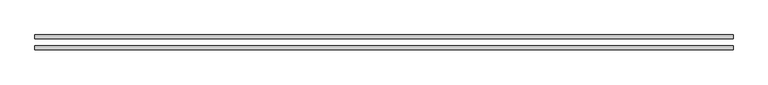
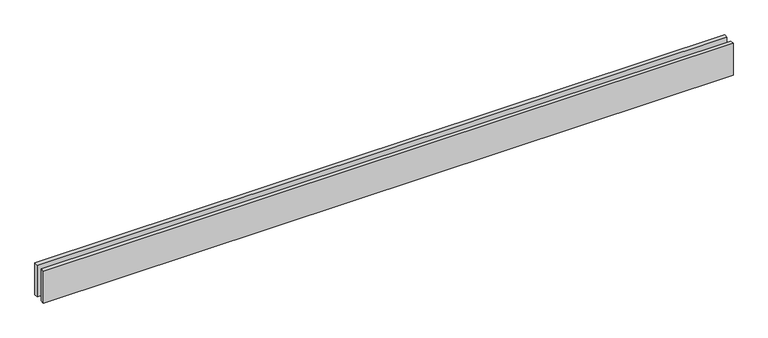
"""IFC4 building model written with IfcOpenShell, lengths in millimetres: proxy geometry."""

from ifc_helpers import new_model, si_unit, origin, origin_with_axes, place, context, project, spatial, polyline, outline, extrude, source, transform, mapped, element, save


def generic_models_efd53a51(model_context):
    return source(origin(), model_context, "Body", "SweptSolid", [
        extrude(outline(polyline([(5135.0, -25.0), (5135.0, -55.0), (0.0, -55.0), (0.0, -25.0), (5135.0, -25.0)])), origin_with_axes(), (0.0, 0.0, 1.0), 250.0),
        extrude(outline(polyline([(5135.0, 55.0), (5135.0, 25.0), (0.0, 25.0), (0.0, 55.0), (5135.0, 55.0)])), origin_with_axes(), (0.0, 0.0, 1.0), 250.0),
    ])


if __name__ == "__main__":
    model = new_model("IFC4")
    model_context = context("Model", 3, world=origin())
    ifc_project = project(units=[si_unit("LENGTHUNIT", "METRE", prefix="MILLI")], contexts=[model_context])
    site = spatial("IfcSite", under=ifc_project)
    building = spatial("IfcBuilding", under=site)
    placement = place(None, origin())
    generic_models_shape = generic_models_efd53a51(model_context)
    element("IfcBuildingElementProxy", 1, Name="Generic Models", at=placement, inside=building, context=model_context, shape_type="MappedRepresentation", body=[
        mapped(generic_models_shape, transform((0.0, 0.0, 0.0), x_axis=(1.0, 0.0, 0.0), y_axis=(0.0, 1.0, 0.0), z_axis=(0.0, 0.0, 1.0))),
    ])
    save(model, "model.ifc")
